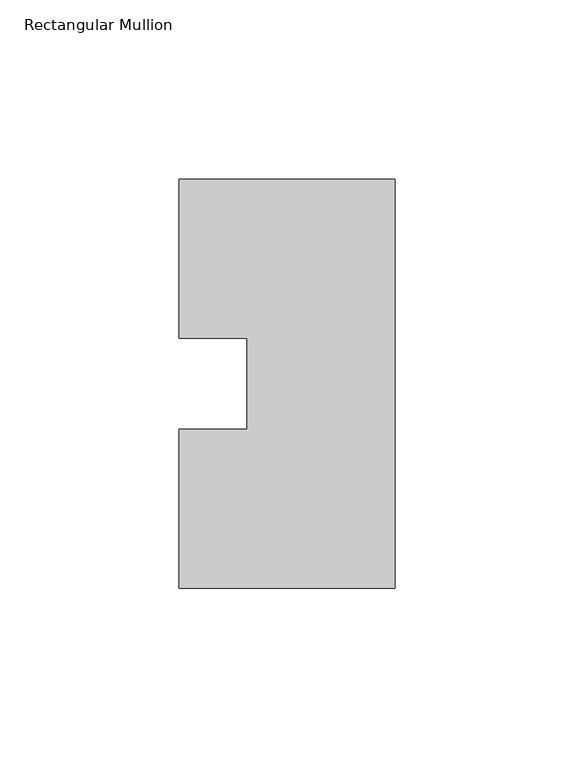
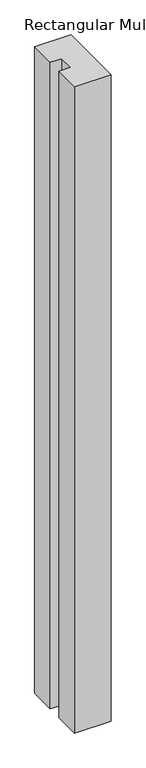
"""IFC4 building model written with IfcOpenShell, lengths in millimetres: member geometry, Rectangular Mullion."""

from ifc_helpers import new_model, si_unit, frame, origin, place, context, project, spatial, polyline, outline, extrude, source, transform, mapped, element, save


def rectangular_mullion_558d0196(model_context):
    return source(origin(), model_context, "Body", "SweptSolid", [
        extrude(outline(polyline([(-60.325, 57.15), (0.0, 57.15), (0.0, -57.15), (-60.325, -57.15), (-60.325, -12.7), (-41.275, -12.7), (-41.275, 12.7), (-60.325, 12.7), (-60.325, 57.15)])), frame((0.0, 0.0, -1130.3), z_axis=(0.0, 0.0, 1.0), x_axis=(1.0, 0.0, 0.0)), (0.0, 0.0, 1.0), 1130.3),
    ])


if __name__ == "__main__":
    model = new_model("IFC4")
    model_context = context("Model", 3, world=origin())
    ifc_project = project(units=[si_unit("LENGTHUNIT", "METRE", prefix="MILLI")], contexts=[model_context])
    site = spatial("IfcSite", under=ifc_project)
    building = spatial("IfcBuilding", under=site)
    placement = place(None, origin())
    rectangular_mullion_shape = rectangular_mullion_558d0196(model_context)
    element("IfcMember", 1, ObjectType="Rectangular Mullion", at=placement, inside=building, context=model_context, shape_type="MappedRepresentation", body=[
        mapped(rectangular_mullion_shape, transform((0.0, 0.0, 0.0), x_axis=(1.0, 0.0, 0.0), y_axis=(0.0, 1.0, 0.0), z_axis=(0.0, 0.0, 1.0))),
    ])
    save(model, "model.ifc")
